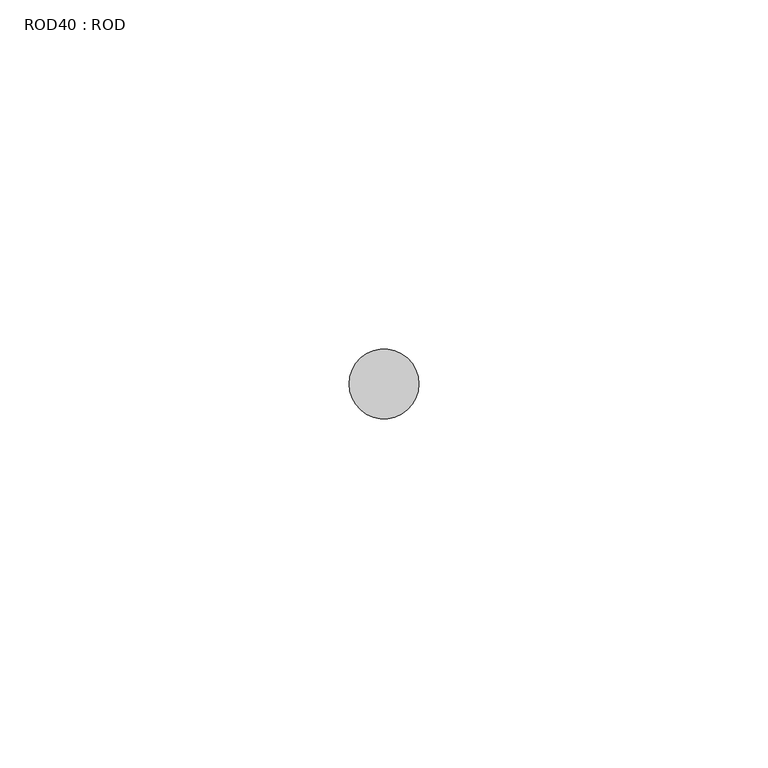
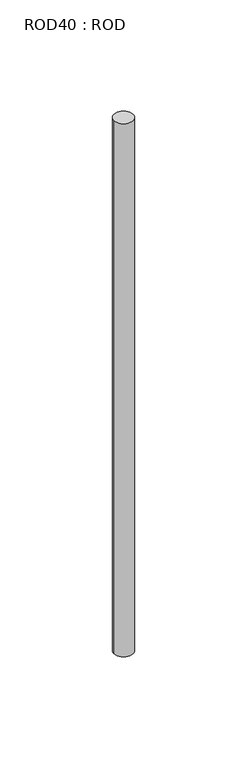
"""IFC4 building model written with IfcOpenShell, lengths in millimetres: proxy geometry, ROD40 : ROD."""

from ifc_helpers import new_model, si_unit, point, frame, frame_2d, origin, place, context, project, spatial, circle_curve, trimmed, segment, composite_curve, outline, extrude, source, transform, mapped, element, save


def rod40_rod_3da84dff(model_context):
    return source(origin(), model_context, "Body", "SweptSolid", [
        extrude(outline(composite_curve([segment(trimmed(circle_curve(frame_2d((8699.7673324, 833.3971576)), 5.0), [point((8694.7673324, 833.3971576))], [point((8704.7673324, 833.3971576))], False, "CARTESIAN"), True, "CONTINUOUS"), segment(trimmed(circle_curve(frame_2d((8699.7673324, 833.3971576)), 5.0), [point((8704.7673324, 833.3971576))], [point((8694.7673324, 833.3971576))], False, "CARTESIAN"), True, "CONTINUOUS")], self_intersect=False)), frame((0.0, 0.0, -108.6608845), z_axis=(0.0, 0.0, 1.0), x_axis=(1.0, 0.0, 0.0)), (0.0, 0.0, 1.0), 298.9028972),
    ])


if __name__ == "__main__":
    model = new_model("IFC4")
    model_context = context("Model", 3, world=origin())
    ifc_project = project(units=[si_unit("LENGTHUNIT", "METRE", prefix="MILLI")], contexts=[model_context])
    site = spatial("IfcSite", under=ifc_project)
    building = spatial("IfcBuilding", under=site)
    placement = place(None, origin())
    rod40_rod_shape = rod40_rod_3da84dff(model_context)
    element("IfcBuildingElementProxy", 1, Name="ROD40 : ROD", ObjectType="ROD40 : ROD", at=placement, inside=building, context=model_context, shape_type="MappedRepresentation", body=[
        mapped(rod40_rod_shape, transform((0.0, 0.0, 0.0), x_axis=(1.0, 0.0, 0.0), y_axis=(0.0, 1.0, 0.0), z_axis=(0.0, 0.0, 1.0))),
    ])
    save(model, "model.ifc")
